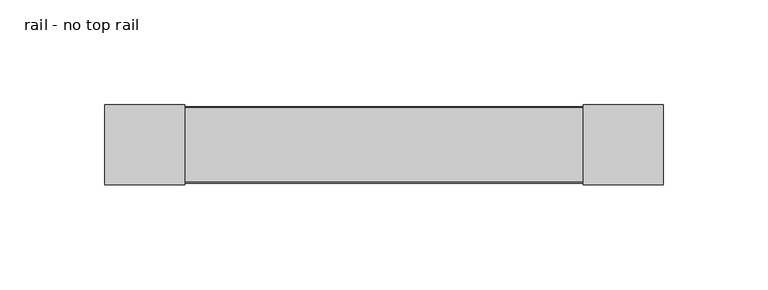
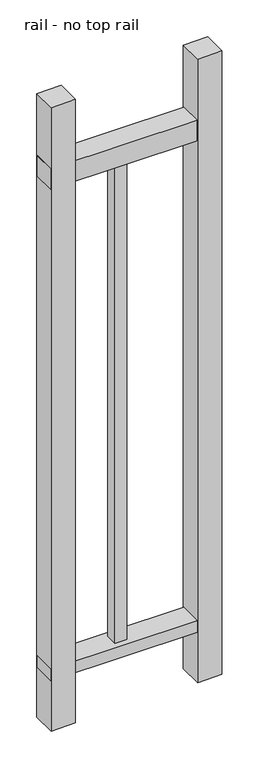
"""IFC4 building model written with IfcOpenShell, lengths in millimetres: railing geometry, rail - no top rail."""

from ifc_helpers import new_model, si_unit, frame, origin, origin_with_axes, place, context, project, spatial, polyline, outline, extrude, source, transform, mapped, element, save


def rail_no_top_rail_4f8d782f(model_context):
    return source(origin(), model_context, "Body", "SweptSolid", [
        extrude(outline(polyline([(4163.6605527, 1291.1334824), (4163.6605527, 1326.5545762), (4392.2605527, 1326.5545762), (4392.2605527, 1291.1334824), (4163.6605527, 1291.1334824)])), frame((0.0, 0.0, 893.1671875), z_axis=(0.0, 0.0, 1.0), x_axis=(1.0, 0.0, 0.0)), (0.0, 0.0, 1.0), 33.9328125),
        extrude(outline(polyline([(4163.6605527, 1290.5254699), (4163.6605527, 1327.1625887), (4392.2605527, 1327.1625887), (4392.2605527, 1290.5254699), (4163.6605527, 1290.5254699)])), frame((0.0, 0.0, 82.55), z_axis=(0.0, 0.0, 1.0), x_axis=(1.0, 0.0, 0.0)), (0.0, 0.0, 1.0), 19.0627),
        extrude(outline(polyline([(4268.4355527, 1318.3690293), (4287.4855527, 1318.3690293), (4287.4855527, 1299.3190293), (4268.4355527, 1299.3190293), (4268.4355527, 1318.3690293)])), frame((0.0, 0.0, 101.6127), z_axis=(0.0, 0.0, 1.0), x_axis=(1.0, 0.0, 0.0)), (0.0, 0.0, 1.0), 791.5544875),
        extrude(outline(polyline([(4430.3605527, 1289.7940293), (4392.2605527, 1289.7940293), (4392.2605527, 1327.8940293), (4430.3605527, 1327.8940293), (4430.3605527, 1289.7940293)])), origin_with_axes(), (0.0, 0.0, 1.0), 1028.7),
        extrude(outline(polyline([(4201.7605527, 1289.7940293), (4163.6605527, 1289.7940293), (4163.6605527, 1327.8940293), (4201.7605527, 1327.8940293), (4201.7605527, 1289.7940293)])), origin_with_axes(), (0.0, 0.0, 1.0), 1028.7),
    ])


if __name__ == "__main__":
    model = new_model("IFC4")
    model_context = context("Model", 3, world=origin())
    ifc_project = project(units=[si_unit("LENGTHUNIT", "METRE", prefix="MILLI")], contexts=[model_context])
    site = spatial("IfcSite", under=ifc_project)
    building = spatial("IfcBuilding", under=site)
    placement = place(None, origin())
    rail_no_top_rail_shape = rail_no_top_rail_4f8d782f(model_context)
    element("IfcRailing", 1, ObjectType="rail - no top rail", at=placement, inside=building, context=model_context, shape_type="MappedRepresentation", body=[
        mapped(rail_no_top_rail_shape, transform((0.0, 0.0, 0.0), x_axis=(1.0, 0.0, 0.0), y_axis=(0.0, 1.0, 0.0), z_axis=(0.0, 0.0, 1.0))),
    ])
    save(model, "model.ifc")
